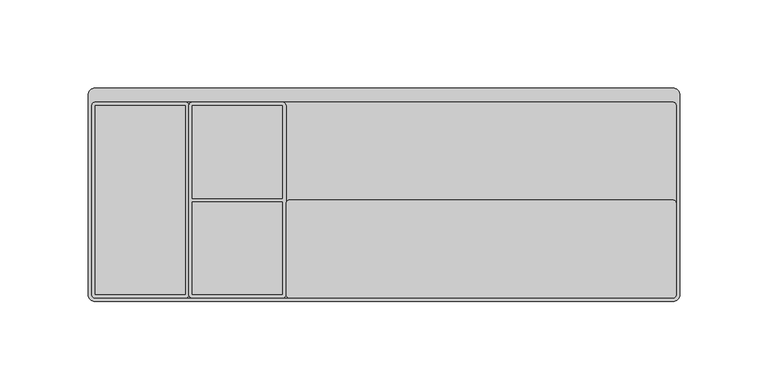
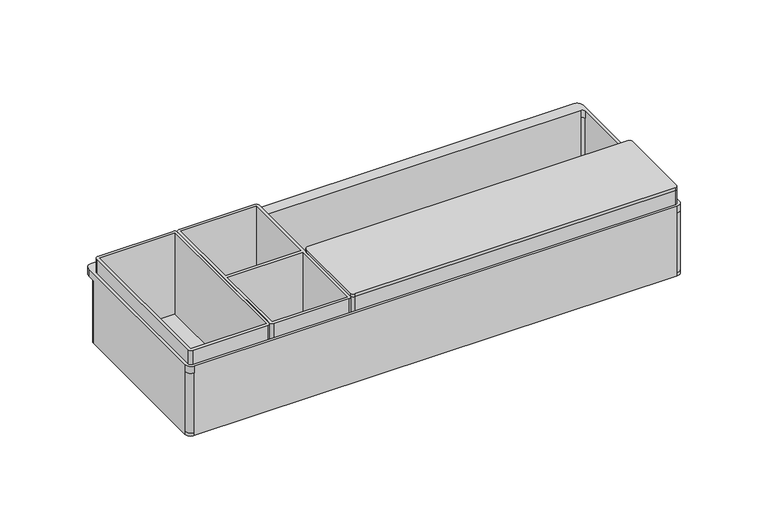
"""IFC4 building model written with IfcOpenShell, lengths in millimetres: furniture geometry."""

from ifc_helpers import new_model, si_unit, point, frame, frame_2d, origin, place, context, project, spatial, polyline, circle_curve, trimmed, segment, composite_curve, outline, extrude, source, transform, mapped, element, save
from ifc_brep_helpers import plane_surface, cylinder_surface, revolved_surface, advanced_brep


def furniture_5a75970a(model_context):
    return source(origin(), model_context, "Body", "SolidModel", [
        extrude(outline(composite_curve([segment(polyline([(-53.5, -3.0), (163.5, -3.0)]), True, "CONTINUOUS"), segment(trimmed(circle_curve(frame_2d((163.5, -5.0)), 2.0), [point((163.5, -3.0))], [point((165.5, -5.0))], False, "CARTESIAN"), True, "CONTINUOUS"), segment(polyline([(165.5, -5.0), (165.5, -56.5)]), True, "CONTINUOUS"), segment(trimmed(circle_curve(frame_2d((163.5, -56.5)), 2.0), [point((165.5, -56.5))], [point((163.5, -58.5))], False, "CARTESIAN"), True, "CONTINUOUS"), segment(polyline([(163.5, -58.5), (-53.5, -58.5)]), True, "CONTINUOUS"), segment(trimmed(circle_curve(frame_2d((-53.5, -56.5)), 2.0), [point((-53.5, -58.5))], [point((-55.5, -56.5))], False, "CARTESIAN"), True, "CONTINUOUS"), segment(polyline([(-55.5, -56.5), (-55.5, -5.0)]), True, "CONTINUOUS"), segment(trimmed(circle_curve(frame_2d((-53.5, -5.0)), 2.0), [point((-55.5, -5.0))], [point((-53.5, -3.0))], False, "CARTESIAN"), True, "CONTINUOUS")], self_intersect=False)), frame((0.0, 0.0, 958.02), z_axis=(0.0, 0.0, 1.0), x_axis=(1.0, 0.0, 0.0)), (0.0, 0.0, 1.0), 2.0),
        extrude(outline(composite_curve([segment(trimmed(circle_curve(frame_2d((163.5, -5.0)), 2.0), [point((163.5, -3.0))], [point((165.5, -5.0))], False, "CARTESIAN"), True, "CONTINUOUS"), segment(polyline([(165.5, -5.0), (165.5, -56.5)]), True, "CONTINUOUS"), segment(trimmed(circle_curve(frame_2d((163.5, -56.5)), 2.0), [point((165.5, -56.5))], [point((163.5, -58.5))], False, "CARTESIAN"), True, "CONTINUOUS"), segment(polyline([(163.5, -58.5), (-53.5, -58.5)]), True, "CONTINUOUS"), segment(trimmed(circle_curve(frame_2d((-53.5, -56.5)), 2.0), [point((-53.5, -58.5))], [point((-55.5, -56.5))], False, "CARTESIAN"), True, "CONTINUOUS"), segment(polyline([(-55.5, -56.5), (-55.5, -5.0)]), True, "CONTINUOUS"), segment(trimmed(circle_curve(frame_2d((-53.5, -5.0)), 2.0), [point((-55.5, -5.0))], [point((-53.5, -3.0))], False, "CARTESIAN"), True, "CONTINUOUS"), segment(polyline([(-53.5, -3.0), (163.5, -3.0)]), True, "CONTINUOUS")], self_intersect=False), holes=[polyline([(163.5, -5.0), (-53.5, -5.0), (-53.5, -56.5), (163.5, -56.5), (163.5, -5.0)])]), frame((0.0, 0.0, 900.02), z_axis=(0.0, 0.0, 1.0), x_axis=(1.0, 0.0, 0.0)), (0.0, 0.0, 1.0), 58.0),
        extrude(outline(composite_curve([segment(polyline([(-55.5, 50.5), (-55.5, -56.5)]), True, "CONTINUOUS"), segment(trimmed(circle_curve(frame_2d((-57.5, -56.5)), 2.0), [point((-55.5, -56.5))], [point((-57.5, -58.5))], False, "CARTESIAN"), True, "CONTINUOUS"), segment(polyline([(-57.5, -58.5), (-108.5, -58.5)]), True, "CONTINUOUS"), segment(trimmed(circle_curve(frame_2d((-108.5, -56.5)), 2.0), [point((-108.5, -58.5))], [point((-110.5, -56.5))], False, "CARTESIAN"), True, "CONTINUOUS"), segment(polyline([(-110.5, -56.5), (-110.5, 50.5)]), True, "CONTINUOUS"), segment(trimmed(circle_curve(frame_2d((-108.5, 50.5)), 2.0), [point((-110.5, 50.5))], [point((-108.5, 52.5))], False, "CARTESIAN"), True, "CONTINUOUS"), segment(polyline([(-108.5, 52.5), (-57.5, 52.5)]), True, "CONTINUOUS"), segment(trimmed(circle_curve(frame_2d((-57.5, 50.5)), 2.0), [point((-57.5, 52.5))], [point((-55.5, 50.5))], False, "CARTESIAN"), True, "CONTINUOUS")], self_intersect=False), holes=[polyline([(-108.5, 50.5), (-108.5, -2.0), (-57.5, -2.0), (-57.5, 50.5), (-108.5, 50.5)]), polyline([(-57.5, -56.5), (-57.5, -4.0), (-108.5, -4.0), (-108.5, -56.5), (-57.5, -56.5)])]), frame((0.0, 0.0, 900.02), z_axis=(0.0, 0.0, 1.0), x_axis=(1.0, 0.0, 0.0)), (0.0, 0.0, 1.0), 58.0),
        extrude(outline(composite_curve([segment(trimmed(circle_curve(frame_2d((-112.5, -56.5)), 2.0), [point((-110.5, -56.5))], [point((-112.5, -58.5))], False, "CARTESIAN"), True, "CONTINUOUS"), segment(polyline([(-112.5, -58.5), (-163.5, -58.5)]), True, "CONTINUOUS"), segment(trimmed(circle_curve(frame_2d((-163.5, -56.5)), 2.0), [point((-163.5, -58.5))], [point((-165.5, -56.5))], False, "CARTESIAN"), True, "CONTINUOUS"), segment(polyline([(-165.5, -56.5), (-165.5, 50.5)]), True, "CONTINUOUS"), segment(trimmed(circle_curve(frame_2d((-163.5, 50.5)), 2.0), [point((-165.5, 50.5))], [point((-163.5, 52.5))], False, "CARTESIAN"), True, "CONTINUOUS"), segment(polyline([(-163.5, 52.5), (-112.5, 52.5)]), True, "CONTINUOUS"), segment(trimmed(circle_curve(frame_2d((-112.5, 50.5)), 2.0), [point((-112.5, 52.5))], [point((-110.5, 50.5))], False, "CARTESIAN"), True, "CONTINUOUS"), segment(polyline([(-110.5, 50.5), (-110.5, -56.5)]), True, "CONTINUOUS")], self_intersect=False), holes=[polyline([(-112.5, -56.5), (-112.5, 50.5), (-163.5, 50.5), (-163.5, -56.5), (-112.5, -56.5)])]), frame((0.0, 0.0, 900.02), z_axis=(0.0, 0.0, 1.0), x_axis=(1.0, 0.0, 0.0)), (0.0, 0.0, 1.0), 58.0),
        advanced_brep(
        [(-163.5, 60.5, 948.02), (-167.5, 56.5, 948.02), (-167.5, -56.5, 948.02), (-163.5, -60.5, 948.02), (163.5, -60.5, 948.02), (167.5, -56.5, 948.02), (167.5, 56.5, 948.02), (163.5, 60.5, 948.02), (-165.5, 50.5, 948.02), (-163.5, 52.5, 948.02), (163.5, 52.5, 948.02), (165.5, 50.5, 948.02), (165.5, -56.5, 948.02), (163.5, -58.5, 948.02), (-163.5, -58.5, 948.02), (-165.5, -56.5, 948.02), (163.5, 60.5, 943.02), (167.5, 56.5, 943.02), (167.5, 50.5, 943.02), (163.5, 54.5, 943.02), (-163.5, 54.5, 943.02), (-167.5, 50.5, 943.02), (-167.5, 56.5, 943.02), (-163.5, 60.5, 943.02), (-163.5, 58.5, 943.02), (163.5, 58.5, 943.02), (-167.5, 50.5, 900.02), (-167.5, 50.5, 898.02), (-167.5, -56.5, 898.02), (-167.5, -56.5, 900.02), (-167.5, -56.5, 943.02), (-163.5, -60.5, 943.02), (-163.5, -60.5, 900.02), (-163.5, -60.5, 898.02), (163.5, -60.5, 898.02), (163.5, -60.5, 900.02), (163.5, -60.5, 943.02), (167.5, -56.5, 943.02), (167.5, -56.5, 900.02), (167.5, -56.5, 898.02), (167.5, 50.5, 898.02), (167.5, 50.5, 900.02), (163.5, 60.5, 939.02), (-163.5, 60.5, 939.02), (-165.5, 50.5, 943.02), (-163.5, 52.5, 943.02), (-163.5, 52.5, 900.02), (163.5, 52.5, 900.02), (163.5, 52.5, 943.02), (165.5, 50.5, 943.02), (165.5, 50.5, 900.02), (165.5, -56.5, 900.02), (165.5, -56.5, 943.02), (163.5, -58.5, 943.02), (163.5, -58.5, 900.02), (-163.5, -58.5, 900.02), (-163.5, -58.5, 943.02), (-165.5, -56.5, 943.02), (-165.5, -56.5, 900.02), (-165.5, 50.5, 900.02), (-163.5, 54.5, 898.02), (163.5, 54.5, 898.02), (163.5, 54.5, 900.02), (-163.5, 54.5, 900.02), (163.5, 58.5, 939.02), (-163.5, 58.5, 939.02)],
        [
            (0, 1, circle_curve(frame((-163.5, 56.5, 948.02), z_axis=(0.0, 0.0, 1.0), x_axis=(-0.7071067811867102, 0.7071067811863849, 0.0)), 4.0)),
            (1, 2),
            (2, 3, circle_curve(frame((-163.5, -56.5, 948.02), z_axis=(0.0, 0.0, 1.0), x_axis=(-0.7071067811864101, -0.707106781186685, 0.0)), 4.0)),
            (3, 4),
            (4, 5, circle_curve(frame((163.5, -56.5, 948.02), z_axis=(0.0, 0.0, 1.0), x_axis=(0.707106781186685, -0.7071067811864101, 0.0)), 4.0)),
            (5, 6),
            (6, 7, circle_curve(frame((163.5, 56.5, 948.02), z_axis=(0.0, 0.0, 1.0), x_axis=(0.7071067811864101, 0.707106781186685, 0.0)), 4.0)),
            (7, 0),
            (8, 9, circle_curve(frame((-163.5, 50.5, 948.02), z_axis=(0.0, 0.0, -1.0), x_axis=(-0.7071067811867101, 0.707106781186385, 0.0)), 2.0)),
            (9, 10),
            (10, 11, circle_curve(frame((163.5, 50.5, 948.02), z_axis=(0.0, 0.0, -1.0), x_axis=(0.7071067811864101, 0.707106781186685, 0.0)), 2.0)),
            (11, 12),
            (12, 13, circle_curve(frame((163.5, -56.5, 948.02), z_axis=(0.0, 0.0, -1.0), x_axis=(0.7071067811866599, -0.7071067811864352, 0.0)), 2.0)),
            (13, 14),
            (14, 15, circle_curve(frame((-163.5, -56.5, 948.02), z_axis=(0.0, 0.0, -1.0), x_axis=(-0.7071067811864101, -0.707106781186685, 0.0)), 2.0)),
            (15, 8),
            (16, 17, circle_curve(frame((163.5, 56.5, 943.02), z_axis=(0.0, 0.0, -1.0), x_axis=(0.7071067811864101, 0.707106781186685, 0.0)), 4.0)),
            (17, 18),
            (18, 19, circle_curve(frame((163.5, 50.5, 943.02), z_axis=(0.0, 0.0, 1.0), x_axis=(1.0, 0.0, 0.0)), 4.0)),
            (19, 20),
            (20, 21, circle_curve(frame((-163.5, 50.5, 943.02), z_axis=(0.0, 0.0, 1.0), x_axis=(1.0, 0.0, 0.0)), 4.0)),
            (21, 22),
            (22, 23, circle_curve(frame((-163.5, 56.5, 943.02), z_axis=(0.0, 0.0, -1.0), x_axis=(-0.7071067811867102, 0.7071067811863849, 0.0)), 4.0)),
            (23, 24),
            (24, 25),
            (25, 16),
            (0, 23),
            (22, 1),
            (21, 26),
            (26, 27),
            (27, 28),
            (28, 29),
            (29, 30),
            (30, 2),
            (30, 31, circle_curve(frame((-163.5, -56.5, 943.02), z_axis=(0.0, 0.0, 1.0), x_axis=(-0.7071067811864101, -0.707106781186685, 0.0)), 4.0)),
            (31, 3),
            (31, 32),
            (32, 33),
            (33, 34),
            (34, 35),
            (35, 36),
            (36, 4),
            (36, 37, circle_curve(frame((163.5, -56.5, 943.02), z_axis=(0.0, 0.0, 1.0), x_axis=(0.707106781186685, -0.7071067811864101, 0.0)), 4.0)),
            (37, 5),
            (37, 38),
            (38, 39),
            (39, 40),
            (40, 41),
            (41, 18),
            (17, 6),
            (16, 7),
            (16, 42),
            (42, 43),
            (43, 23),
            (8, 44),
            (44, 45, circle_curve(frame((-163.5, 50.5, 943.02), z_axis=(0.0, 0.0, -1.0), x_axis=(-0.7071067811867101, 0.707106781186385, 0.0)), 2.0)),
            (45, 9),
            (45, 46),
            (46, 47),
            (47, 48),
            (48, 10),
            (48, 49, circle_curve(frame((163.5, 50.5, 943.02), z_axis=(0.0, 0.0, -1.0), x_axis=(0.7071067811864101, 0.707106781186685, 0.0)), 2.0)),
            (49, 11),
            (49, 50),
            (50, 51),
            (51, 52),
            (52, 12),
            (52, 53, circle_curve(frame((163.5, -56.5, 943.02), z_axis=(0.0, 0.0, -1.0), x_axis=(0.7071067811866599, -0.7071067811864352, 0.0)), 2.0)),
            (53, 13),
            (53, 54),
            (54, 55),
            (55, 56),
            (56, 14),
            (56, 57, circle_curve(frame((-163.5, -56.5, 943.02), z_axis=(0.0, 0.0, -1.0), x_axis=(-0.7071067811864101, -0.707106781186685, 0.0)), 2.0)),
            (57, 15),
            (57, 58),
            (58, 59),
            (59, 44),
            (46, 59, circle_curve(frame((-163.5, 50.5, 900.02), z_axis=(0.0, 0.0, 1.0), x_axis=(-0.7071067811867101, 0.707106781186385, 0.0)), 2.0)),
            (58, 55, circle_curve(frame((-163.5, -56.5, 900.02), z_axis=(0.0, 0.0, 1.0), x_axis=(-0.7071067811864101, -0.707106781186685, 0.0)), 2.0)),
            (54, 51, circle_curve(frame((163.5, -56.5, 900.02), z_axis=(0.0, 0.0, 1.0), x_axis=(0.7071067811866599, -0.7071067811864352, 0.0)), 2.0)),
            (50, 47, circle_curve(frame((163.5, 50.5, 900.02), z_axis=(0.0, 0.0, 1.0), x_axis=(0.7071067811864101, 0.707106781186685, 0.0)), 2.0)),
            (33, 28, circle_curve(frame((-163.5, -56.5, 898.02), z_axis=(0.0, 0.0, -1.0), x_axis=(-0.7071067811864101, -0.707106781186685, 0.0)), 4.0)),
            (27, 60, circle_curve(frame((-163.5, 50.5, 898.02), z_axis=(0.0, 0.0, -1.0), x_axis=(1.0, 0.0, 0.0)), 4.0)),
            (60, 61),
            (61, 40, circle_curve(frame((163.5, 50.5, 898.02), z_axis=(0.0, 0.0, -1.0), x_axis=(1.0, 0.0, 0.0)), 4.0)),
            (39, 34, circle_curve(frame((163.5, -56.5, 898.02), z_axis=(0.0, 0.0, -1.0), x_axis=(0.707106781186685, -0.7071067811864101, 0.0)), 4.0)),
            (38, 35, circle_curve(frame((163.5, -56.5, 900.02), z_axis=(0.0, 0.0, -1.0), x_axis=(0.707106781186685, -0.7071067811864101, 0.0)), 4.0)),
            (61, 62),
            (62, 41, circle_curve(frame((163.5, 50.5, 900.02), z_axis=(0.0, 0.0, -1.0), x_axis=(1.0, 0.0, 0.0)), 4.0)),
            (60, 63),
            (63, 20),
            (19, 62),
            (26, 63, circle_curve(frame((-163.5, 50.5, 900.02), z_axis=(0.0, 0.0, -1.0), x_axis=(1.0, 0.0, 0.0)), 4.0)),
            (32, 29, circle_curve(frame((-163.5, -56.5, 900.02), z_axis=(0.0, 0.0, -1.0), x_axis=(-0.7071067811864101, -0.707106781186685, 0.0)), 4.0)),
            (25, 64),
            (64, 42),
            (43, 65),
            (65, 24),
            (65, 64),
        ],
        [
            plane_surface(frame((-166.3284271, 59.3284271, 948.02), z_axis=(0.0, 0.0, 1.0), x_axis=(-0.7071067811863848, -0.7071067811867102, 0.0))),
            plane_surface(frame((-166.3284271, 59.3284271, 943.02), z_axis=(0.0, 0.0, -1.0), x_axis=(0.7071067811863848, 0.7071067811867102, 0.0))),
            cylinder_surface(frame((-163.5, 56.5, 943.02), z_axis=(0.0, 0.0, 1.0), x_axis=(-0.7071067811867102, 0.7071067811863849, 0.0)), 4.0),
            plane_surface(frame((-167.5, 56.5, 948.02), z_axis=(-1.0, 0.0, 0.0), x_axis=(0.0, 0.0, -1.0))),
            cylinder_surface(frame((-163.5, -56.5, 943.02), z_axis=(0.0, 0.0, 1.0), x_axis=(-0.7071067811864101, -0.707106781186685, 0.0)), 4.0),
            plane_surface(frame((-163.5, -60.5, 948.02), z_axis=(0.0, -1.0, 0.0), x_axis=(0.0, 0.0, -1.0))),
            cylinder_surface(frame((163.5, -56.5, 943.02), z_axis=(0.0, 0.0, 1.0), x_axis=(0.707106781186685, -0.7071067811864101, 0.0)), 4.0),
            plane_surface(frame((167.5, -56.5, 948.02), z_axis=(1.0, 0.0, 0.0), x_axis=(0.0, 0.0, -1.0))),
            cylinder_surface(frame((163.5, 56.5, 943.02), z_axis=(0.0, 0.0, 1.0), x_axis=(0.7071067811864101, 0.707106781186685, 0.0)), 4.0),
            plane_surface(frame((163.5, 60.5, 948.02), z_axis=(0.0, 1.0, 0.0), x_axis=(0.0, 0.0, -1.0))),
            revolved_surface(polyline([(-164.91421356237342, 51.91421356237277, 943.02), (-164.91421356237342, 51.91421356237277, 948.02)]), (-163.5, 50.5, -167.4079783), (0.0, 0.0, -1.0)),
            plane_surface(frame((-163.5, 52.5, 948.02), z_axis=(0.0, -1.0, 0.0), x_axis=(0.0, 0.0, -1.0))),
            revolved_surface(polyline([(164.91421356237282, 51.91421356237337, 943.02), (164.91421356237282, 51.91421356237337, 948.02)]), (163.5, 50.5, -167.4079783), (0.0, 0.0, -1.0)),
            plane_surface(frame((165.5, 50.5, 948.02), z_axis=(-1.0, 0.0, 0.0), x_axis=(0.0, 0.0, -1.0))),
            revolved_surface(polyline([(164.91421356237333, -57.91421356237287, 943.0200000000004), (164.91421356237333, -57.91421356237287, 948.0200000000004)]), (163.5, -56.5, -167.4079783), (0.0, 0.0, -1.0000000000000002)),
            plane_surface(frame((163.5, -58.5, 948.02), z_axis=(0.0, 1.0, 0.0), x_axis=(0.0, 0.0, -1.0))),
            revolved_surface(polyline([(-164.91421356237282, -57.91421356237337, 943.02), (-164.91421356237282, -57.91421356237337, 948.02)]), (-163.5, -56.5, -167.4079783), (0.0, 0.0, -1.0)),
            plane_surface(frame((-165.5, -56.5, 948.02), z_axis=(1.0, 0.0, 0.0), x_axis=(0.0, 0.0, -1.0))),
            plane_surface(frame((166.3284271, -59.3284271, 900.02), z_axis=(0.0, 0.0, 1.0), x_axis=(0.70710678118641, 0.707106781186685, 0.0))),
            plane_surface(frame((166.3284271, -59.3284271, 898.02), z_axis=(0.0, 0.0, -1.0), x_axis=(-0.70710678118641, -0.707106781186685, 0.0))),
            cylinder_surface(frame((163.5, -56.5, 898.02), z_axis=(0.0, 0.0, 1.0), x_axis=(0.707106781186685, -0.7071067811864101, 0.0)), 4.0),
            cylinder_surface(frame((163.5, 50.5, 898.02), z_axis=(0.0, 0.0, 1.0), x_axis=(1.0, 0.0, 0.0)), 4.0),
            plane_surface(frame((163.5, 54.5, 900.02), z_axis=(0.0, 1.0, 0.0), x_axis=(0.0, 0.0, -1.0))),
            cylinder_surface(frame((-163.5, 50.5, 898.02), z_axis=(0.0, 0.0, 1.0), x_axis=(1.0, 0.0, 0.0)), 4.0),
            cylinder_surface(frame((-163.5, -56.5, 898.02), z_axis=(0.0, 0.0, 1.0), x_axis=(-0.7071067811864101, -0.707106781186685, 0.0)), 4.0),
            cylinder_surface(frame((163.5, -56.5, 900.02), z_axis=(0.0, 0.0, 1.0), x_axis=(0.707106781186685, -0.7071067811864101, 0.0)), 4.0),
            cylinder_surface(frame((163.5, 50.5, 900.02), z_axis=(0.0, 0.0, 1.0), x_axis=(1.0, 0.0, 0.0)), 4.0),
            cylinder_surface(frame((-163.5, 50.5, 900.02), z_axis=(0.0, 0.0, 1.0), x_axis=(1.0, 0.0, 0.0)), 4.0),
            cylinder_surface(frame((-163.5, -56.5, 900.02), z_axis=(0.0, 0.0, 1.0), x_axis=(-0.7071067811864101, -0.707106781186685, 0.0)), 4.0),
            revolved_surface(polyline([(-164.91421356237342, 51.91421356237277, 900.02), (-164.91421356237342, 51.91421356237277, 943.02)]), (-163.5, 50.5, -167.4079783), (0.0, 0.0, -1.0)),
            revolved_surface(polyline([(164.91421356237282, 51.91421356237337, 900.02), (164.91421356237282, 51.91421356237337, 943.02)]), (163.5, 50.5, -167.4079783), (0.0, 0.0, -1.0)),
            revolved_surface(polyline([(164.91421356237333, -57.91421356237287, 900.0200000000004), (164.91421356237333, -57.91421356237287, 943.0200000000004)]), (163.5, -56.5, -167.4079783), (0.0, 0.0, -1.0000000000000002)),
            revolved_surface(polyline([(-164.91421356237282, -57.91421356237337, 900.02), (-164.91421356237282, -57.91421356237337, 943.02)]), (-163.5, -56.5, -167.4079783), (0.0, 0.0, -1.0)),
            plane_surface(frame((163.5, 58.5, 939.02), z_axis=(1.0, 0.0, 0.0), x_axis=(0.0, 0.0, -1.0))),
            plane_surface(frame((-163.5, 58.5, 939.02), z_axis=(-1.0, 0.0, 0.0), x_axis=(0.0, 0.0, 1.0))),
            plane_surface(frame((163.5, 58.5, 943.02), z_axis=(0.0, -1.0, 0.0), x_axis=(-1.0, 0.0, 0.0))),
            plane_surface(frame((163.5, 58.5, 939.02), z_axis=(0.0, 0.0, -1.0), x_axis=(-1.0, 0.0, 0.0))),
        ],
        [
            (0, [[1, 2, 3, 4, 5, 6, 7, 8], [9, 10, 11, 12, 13, 14, 15, 16]]),
            (1, [[17, 18, 19, 20, 21, 22, 23, 24, 25, 26]]),
            (2, [[-1, 27, -23, 28]]),
            (3, [[-2, -28, -22, 29, 30, 31, 32, 33, 34]]),
            (4, [[-3, -34, 35, 36]]),
            (5, [[-4, -36, 37, 38, 39, 40, 41, 42]]),
            (6, [[-5, -42, 43, 44]]),
            (7, [[-6, -44, 45, 46, 47, 48, 49, -18, 50]]),
            (8, [[-7, -50, -17, 51]]),
            (9, [[-8, -51, 52, 53, 54, -27]]),
            (10, [[-9, 55, 56, 57]]),
            (11, [[-10, -57, 58, 59, 60, 61]]),
            (12, [[-11, -61, 62, 63]]),
            (13, [[-12, -63, 64, 65, 66, 67]]),
            (14, [[-13, -67, 68, 69]]),
            (15, [[-14, -69, 70, 71, 72, 73]]),
            (16, [[-15, -73, 74, 75]]),
            (17, [[-16, -75, 76, 77, 78, -55]]),
            (18, [[79, -77, 80, -71, 81, -65, 82, -59]]),
            (19, [[-39, 83, -31, 84, 85, 86, -47, 87]]),
            (20, [[-87, -46, 88, -40]]),
            (21, [[-86, 89, 90, -48]]),
            (22, [[-85, 91, 92, -20, 93, -89]]),
            (23, [[-84, -30, 94, -91]]),
            (24, [[-83, -38, 95, -32]]),
            (25, [[-41, -88, -45, -43]]),
            (26, [[-49, -90, -93, -19]]),
            (27, [[-92, -94, -29, -21]]),
            (28, [[-33, -95, -37, -35]]),
            (29, [[-78, -79, -58, -56]]),
            (30, [[-60, -82, -64, -62]]),
            (31, [[-66, -81, -70, -68]]),
            (32, [[-72, -80, -76, -74]]),
            (33, [[96, 97, -52, -26]]),
            (34, [[-54, 98, 99, -24]]),
            (35, [[-96, -25, -99, 100]]),
            (36, [[-97, -100, -98, -53]]),
        ],
    ),
    ])


if __name__ == "__main__":
    model = new_model("IFC4")
    model_context = context("Model", 3, world=origin())
    ifc_project = project(units=[si_unit("LENGTHUNIT", "METRE", prefix="MILLI")], contexts=[model_context])
    site = spatial("IfcSite", under=ifc_project)
    building = spatial("IfcBuilding", under=site)
    placement = place(None, origin())
    furniture_shape = furniture_5a75970a(model_context)
    element("IfcFurniture", 1, at=placement, inside=building, context=model_context, shape_type="MappedRepresentation", body=[
        mapped(furniture_shape, transform((0.0, 0.0, 0.0), x_axis=(1.0, 0.0, 0.0), y_axis=(0.0, 1.0, 0.0), z_axis=(0.0, 0.0, 1.0))),
    ])
    save(model, "model.ifc")
